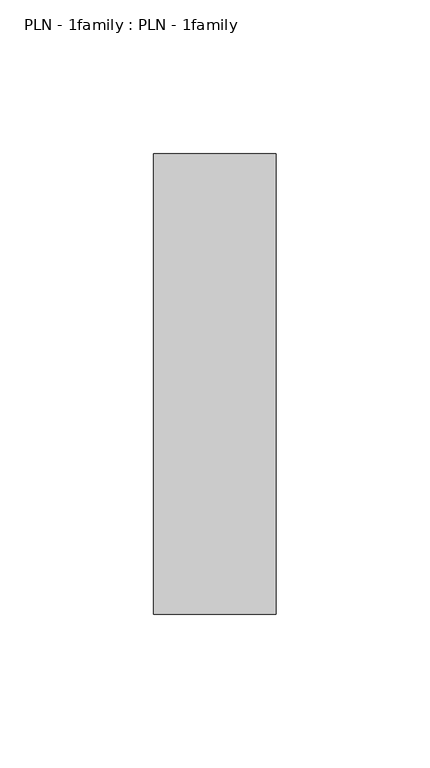
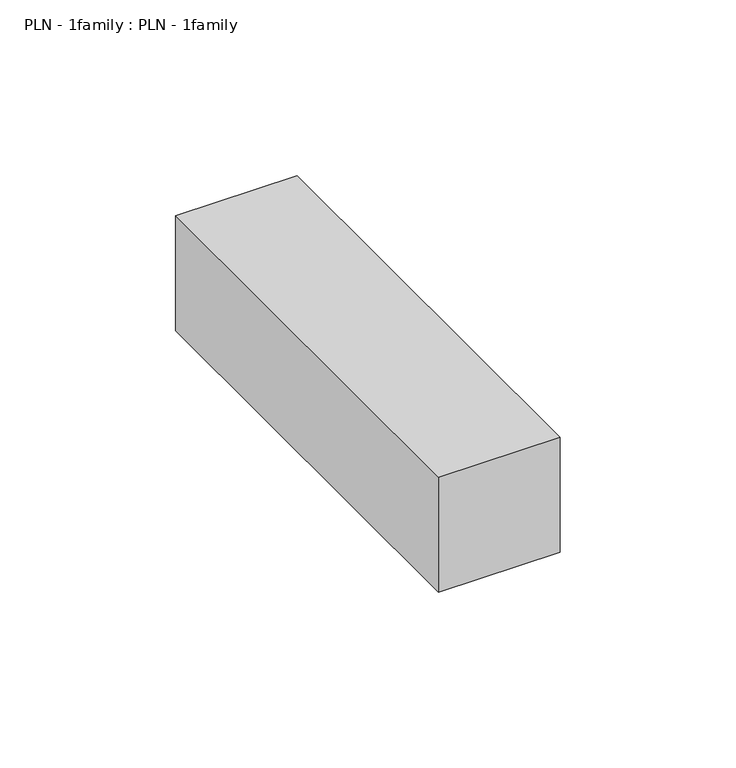
"""IFC4 building model written with IfcOpenShell, lengths in millimetres: proxy geometry, PLN - 1family : PLN - 1family."""

from ifc_helpers import new_model, si_unit, frame, origin, place, context, project, spatial, polyline, outline, extrude, source, transform, mapped, element, save


def pln_1family_pln_1family_98214491(model_context):
    return source(origin(), model_context, "Body", "SweptSolid", [
        extrude(outline(polyline([(0.0, -150.0), (0.0, 0.0), (40.0, 0.0), (40.0, -150.0), (0.0, -150.0)])), frame((0.0, 0.0, 100.0), z_axis=(0.0, 0.0, 1.0), x_axis=(1.0, 0.0, 0.0)), (0.0, 0.0, 1.0), 40.0),
    ])


if __name__ == "__main__":
    model = new_model("IFC4")
    model_context = context("Model", 3, world=origin())
    ifc_project = project(units=[si_unit("LENGTHUNIT", "METRE", prefix="MILLI")], contexts=[model_context])
    site = spatial("IfcSite", under=ifc_project)
    building = spatial("IfcBuilding", under=site)
    placement = place(None, origin())
    pln_1family_pln_1family_shape = pln_1family_pln_1family_98214491(model_context)
    element("IfcBuildingElementProxy", 1, Name="PLN - 1family : PLN - 1family", ObjectType="PLN - 1family : PLN - 1family", at=placement, inside=building, context=model_context, shape_type="MappedRepresentation", body=[
        mapped(pln_1family_pln_1family_shape, transform((0.0, 0.0, 0.0), x_axis=(1.0, 0.0, 0.0), y_axis=(0.0, 1.0, 0.0), z_axis=(0.0, 0.0, 1.0))),
    ])
    save(model, "model.ifc")
